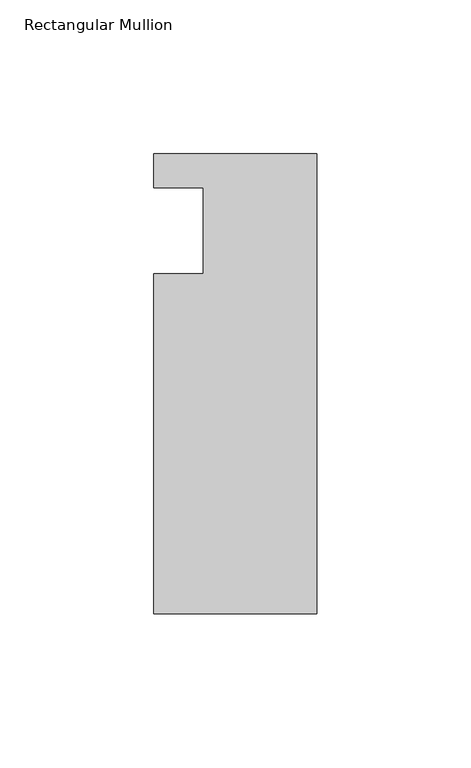
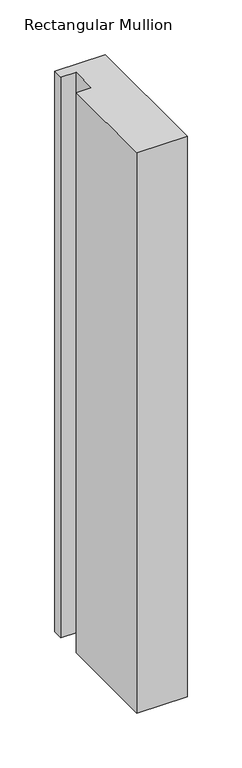
"""IFC4 building model written with IfcOpenShell, lengths in millimetres: member geometry, Rectangular Mullion."""

from ifc_helpers import new_model, si_unit, frame, origin, place, context, project, spatial, polyline, outline, extrude, source, transform, mapped, element, save


def rectangular_mullion_cda2a807(model_context):
    return source(origin(), model_context, "Body", "SweptSolid", [
        extrude(outline(polyline([(-37.0, 13.9999453), (-53.0, 13.9999453), (-53.0, 24.9999453), (0.0, 24.9999453), (0.0, -124.5000547), (-53.0, -124.5000547), (-53.0, -14.0000547), (-37.0, -14.0000547), (-37.0, 13.9999453)])), frame((0.0, 0.0, -623.7174835), z_axis=(0.0, 0.0, 1.0), x_axis=(1.0, 0.0, 0.0)), (0.0, 0.0, 1.0), 623.7174835),
    ])


if __name__ == "__main__":
    model = new_model("IFC4")
    model_context = context("Model", 3, world=origin())
    ifc_project = project(units=[si_unit("LENGTHUNIT", "METRE", prefix="MILLI")], contexts=[model_context])
    site = spatial("IfcSite", under=ifc_project)
    building = spatial("IfcBuilding", under=site)
    placement = place(None, origin())
    rectangular_mullion_shape = rectangular_mullion_cda2a807(model_context)
    element("IfcMember", 1, ObjectType="Rectangular Mullion", at=placement, inside=building, context=model_context, shape_type="MappedRepresentation", body=[
        mapped(rectangular_mullion_shape, transform((0.0, 0.0, 0.0), x_axis=(1.0, 0.0, 0.0), y_axis=(0.0, 1.0, 0.0), z_axis=(0.0, 0.0, 1.0))),
    ])
    save(model, "model.ifc")
